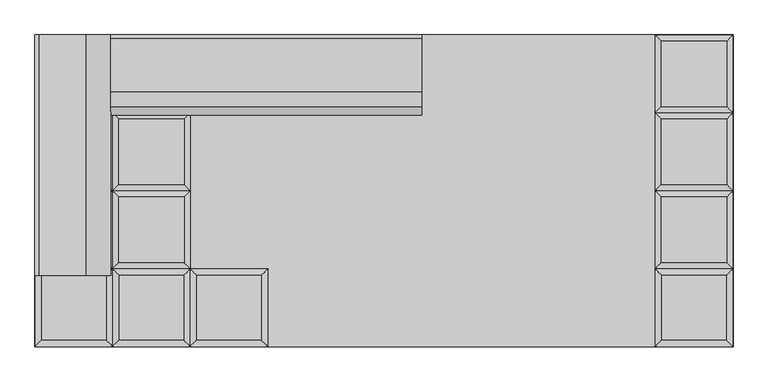
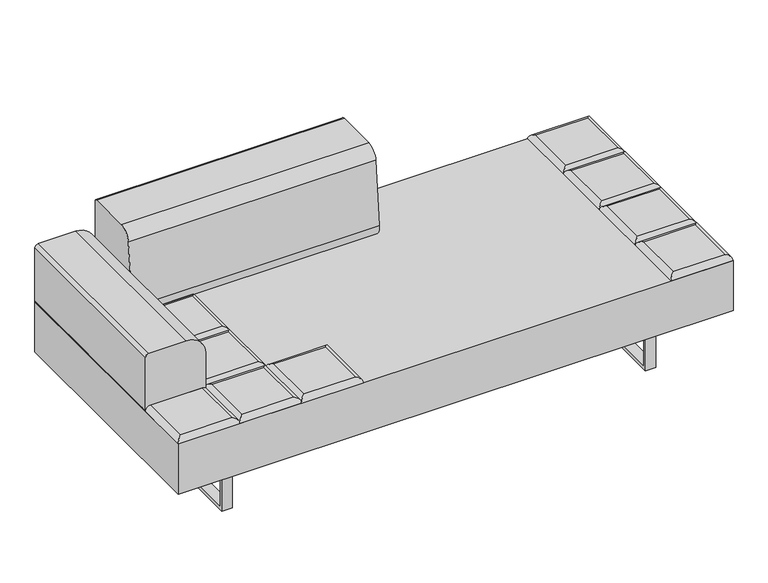
"""IFC4 building model written with IfcOpenShell, lengths in millimetres: furniture geometry."""

from ifc_helpers import new_model, si_unit, point, frame, frame_2d, origin, place, context, project, spatial, polyline, circle_curve, ellipse_curve, trimmed, segment, composite_curve, outline, extrude, source, transform, mapped, element, save
from ifc_brep_helpers import plane_surface, cylinder_surface, advanced_brep


def furniture_cdabe000(model_context):
    return source(origin(), model_context, "Body", "SolidModel", [
        advanced_brep(
        [(-330.2, -222.25, 393.7), (-348.1605122, -240.2105122, 411.6605122), (-348.1605122, -426.5394878, 411.6605122), (-330.2, -444.5, 393.7), (-534.4894878, -426.5394878, 411.6605122), (-552.45, -444.5, 393.7), (-534.4894878, -240.2105122, 411.6605122), (-552.45, -222.25, 393.7)],
        [
            (0, 1, ellipse_curve(frame((-348.1605122, -240.2105122, 393.7), z_axis=(0.7071067811865475, -0.7071067811865475, 0.0), x_axis=(0.7071067811865474, 0.7071067811865476, 0.0)), 25.4, 17.9605122)),
            (1, 2),
            (2, 3, ellipse_curve(frame((-348.1605122, -426.5394878, 393.7), z_axis=(0.7071067811865475, 0.7071067811865475, 0.0), x_axis=(-0.7071067811865474, 0.7071067811865476, 0.0)), 25.4, 17.9605122)),
            (3, 0),
            (2, 4),
            (4, 5, ellipse_curve(frame((-534.4894878, -426.5394878, 393.7), z_axis=(0.7071067811865475, -0.7071067811865475, 0.0), x_axis=(0.7071067811865476, 0.7071067811865474, 0.0)), 25.4, 17.9605122)),
            (5, 3),
            (4, 6),
            (6, 7, ellipse_curve(frame((-534.4894878, -240.2105122, 393.7), z_axis=(-0.7071067811865475, -0.7071067811865475, 0.0), x_axis=(0.7071067811865474, -0.7071067811865476, 0.0)), 25.4, 17.9605122)),
            (7, 5),
            (0, 7),
            (6, 1),
        ],
        [
            cylinder_surface(frame((-348.1605122, -222.25, 393.7), z_axis=(0.0, 1.0, 0.0), x_axis=(1.0, 0.0, 0.0)), 17.9605122),
            cylinder_surface(frame((-330.2, -426.5394878, 393.7), z_axis=(1.0, 0.0, 0.0), x_axis=(0.0, -1.0, 0.0)), 17.9605122),
            cylinder_surface(frame((-534.4894878, -444.5, 393.7), z_axis=(0.0, -1.0, 0.0), x_axis=(-1.0, 0.0, 0.0)), 17.9605122),
            cylinder_surface(frame((-552.45, -240.2105122, 393.7), z_axis=(-1.0, 0.0, 0.0), x_axis=(0.0, 1.0, 0.0)), 17.9605122),
            plane_surface(frame((-552.45, -222.25, 393.7), z_axis=(0.0, 0.0, -1.0), x_axis=(1.0, 0.0, 0.0))),
            plane_surface(frame((-534.4894878, -240.2105122, 411.6605122), z_axis=(0.0, 0.0, 1.0), x_axis=(-1.0, 0.0, 0.0))),
        ],
        [
            (0, [[1, 2, 3, 4]]),
            (1, [[-3, 5, 6, 7]]),
            (2, [[-6, 8, 9, 10]]),
            (3, [[-1, 11, -9, 12]]),
            (4, [[-4, -7, -10, -11]]),
            (5, [[-2, -12, -8, -5]]),
        ],
    ),
        advanced_brep(
        [(-568.8230122, -204.2894878, 411.6605122), (-568.8230122, -17.9605122, 411.6605122), (-755.1519878, -17.9605122, 411.6605122), (-755.1519878, -204.2894878, 411.6605122), (-550.8625, 0.0, 393.7), (-550.8625, -222.25, 393.7), (-773.1125, -222.25, 393.7), (-773.1125, 0.0, 393.7)],
        [
            (0, 1),
            (1, 2),
            (2, 3),
            (3, 0),
            (4, 5),
            (5, 6),
            (6, 7),
            (7, 4),
            (4, 1, ellipse_curve(frame((-568.8230122, -17.9605122, 393.7), z_axis=(0.7071067811865475, -0.7071067811865475, 0.0), x_axis=(0.7071067811865474, 0.7071067811865476, 0.0)), 25.4, 17.9605122)),
            (0, 5, ellipse_curve(frame((-568.8230122, -204.2894878, 393.7), z_axis=(0.7071067811865475, 0.7071067811865475, 0.0), x_axis=(-0.7071067811865474, 0.7071067811865476, 0.0)), 25.4, 17.9605122)),
            (3, 6, ellipse_curve(frame((-755.1519878, -204.2894878, 393.7), z_axis=(0.7071067811865475, -0.7071067811865475, 0.0), x_axis=(0.7071067811865476, 0.7071067811865474, 0.0)), 25.4, 17.9605122)),
            (2, 7, ellipse_curve(frame((-755.1519878, -17.9605122, 393.7), z_axis=(-0.7071067811865475, -0.7071067811865475, 0.0), x_axis=(0.7071067811865474, -0.7071067811865476, 0.0)), 25.4, 17.9605122)),
        ],
        [
            plane_surface(frame((-755.1519878, -17.9605122, 411.6605122), z_axis=(0.0, 0.0, 1.0), x_axis=(-1.0, 0.0, 0.0))),
            plane_surface(frame((-755.1519878, -17.9605122, 393.7), z_axis=(0.0, 0.0, -1.0), x_axis=(1.0, 0.0, 0.0))),
            cylinder_surface(frame((-568.8230122, 0.0, 393.7), z_axis=(0.0, 1.0, 0.0), x_axis=(1.0, 0.0, 0.0)), 17.9605122),
            cylinder_surface(frame((-550.8625, -204.2894878, 393.7), z_axis=(1.0, 0.0, 0.0), x_axis=(0.0, -1.0, 0.0)), 17.9605122),
            cylinder_surface(frame((-755.1519878, -222.25, 393.7), z_axis=(0.0, -1.0, 0.0), x_axis=(-1.0, 0.0, 0.0)), 17.9605122),
            cylinder_surface(frame((-773.1125, -17.9605122, 393.7), z_axis=(-1.0, 0.0, 0.0), x_axis=(0.0, 1.0, 0.0)), 17.9605122),
        ],
        [
            (0, [[1, 2, 3, 4]]),
            (1, [[5, 6, 7, 8]]),
            (2, [[9, -1, 10, -5]]),
            (3, [[-10, -4, 11, -6]]),
            (4, [[-11, -3, 12, -7]]),
            (5, [[-9, -8, -12, -2]]),
        ],
    ),
        advanced_brep(
        [(-568.8230122, 17.9605122, 411.6605122), (-568.8230122, 204.2894878, 411.6605122), (-755.1519878, 204.2894878, 411.6605122), (-755.1519878, 17.9605122, 411.6605122), (-550.8625, 222.25, 393.7), (-550.8625, 0.0, 393.7), (-773.1125, 0.0, 393.7), (-773.1125, 222.25, 393.7)],
        [
            (0, 1),
            (1, 2),
            (2, 3),
            (3, 0),
            (4, 5),
            (5, 6),
            (6, 7),
            (7, 4),
            (4, 1, ellipse_curve(frame((-568.8230122, 204.2894878, 393.7), z_axis=(0.7071067811865475, -0.7071067811865475, 0.0), x_axis=(0.7071067811865474, 0.7071067811865476, 0.0)), 25.4, 17.9605122)),
            (0, 5, ellipse_curve(frame((-568.8230122, 17.9605122, 393.7), z_axis=(0.7071067811865475, 0.7071067811865475, 0.0), x_axis=(-0.7071067811865474, 0.7071067811865476, 0.0)), 25.4, 17.9605122)),
            (3, 6, ellipse_curve(frame((-755.1519878, 17.9605122, 393.7), z_axis=(0.7071067811865475, -0.7071067811865475, 0.0), x_axis=(0.7071067811865476, 0.7071067811865474, 0.0)), 25.4, 17.9605122)),
            (2, 7, ellipse_curve(frame((-755.1519878, 204.2894878, 393.7), z_axis=(-0.7071067811865475, -0.7071067811865475, 0.0), x_axis=(0.7071067811865474, -0.7071067811865476, 0.0)), 25.4, 17.9605122)),
        ],
        [
            plane_surface(frame((-755.1519878, 204.2894878, 411.6605122), z_axis=(0.0, 0.0, 1.0), x_axis=(-1.0, 0.0, 0.0))),
            plane_surface(frame((-755.1519878, 204.2894878, 393.7), z_axis=(0.0, 0.0, -1.0), x_axis=(1.0, 0.0, 0.0))),
            cylinder_surface(frame((-568.8230122, 222.25, 393.7), z_axis=(0.0, 1.0, 0.0), x_axis=(1.0, 0.0, 0.0)), 17.9605122),
            cylinder_surface(frame((-550.8625, 17.9605122, 393.7), z_axis=(1.0, 0.0, 0.0), x_axis=(0.0, -1.0, 0.0)), 17.9605122),
            cylinder_surface(frame((-755.1519878, 0.0, 393.7), z_axis=(0.0, -1.0, 0.0), x_axis=(-1.0, 0.0, 0.0)), 17.9605122),
            cylinder_surface(frame((-773.1125, 204.2894878, 393.7), z_axis=(-1.0, 0.0, 0.0), x_axis=(0.0, 1.0, 0.0)), 17.9605122),
        ],
        [
            (0, [[1, 2, 3, 4]]),
            (1, [[5, 6, 7, 8]]),
            (2, [[9, -1, 10, -5]]),
            (3, [[-10, -4, 11, -6]]),
            (4, [[-11, -3, 12, -7]]),
            (5, [[-9, -8, -12, -2]]),
        ],
    ),
        advanced_brep(
        [(-568.8230122, 240.2105122, 411.6605122), (-568.8230122, 426.5394878, 411.6605122), (-755.1519878, 426.5394878, 411.6605122), (-755.1519878, 240.2105122, 411.6605122), (-550.8625, 444.5, 393.7), (-550.8625, 222.25, 393.7), (-773.1125, 222.25, 393.7), (-773.1125, 444.5, 393.7)],
        [
            (0, 1),
            (1, 2),
            (2, 3),
            (3, 0),
            (4, 5),
            (5, 6),
            (6, 7),
            (7, 4),
            (4, 1, ellipse_curve(frame((-568.8230122, 426.5394878, 393.7), z_axis=(0.7071067811865475, -0.7071067811865475, 0.0), x_axis=(0.7071067811865474, 0.7071067811865476, 0.0)), 25.4, 17.9605122)),
            (0, 5, ellipse_curve(frame((-568.8230122, 240.2105122, 393.7), z_axis=(0.7071067811865475, 0.7071067811865475, 0.0), x_axis=(-0.7071067811865474, 0.7071067811865476, 0.0)), 25.4, 17.9605122)),
            (3, 6, ellipse_curve(frame((-755.1519878, 240.2105122, 393.7), z_axis=(0.7071067811865475, -0.7071067811865475, 0.0), x_axis=(0.7071067811865476, 0.7071067811865474, 0.0)), 25.4, 17.9605122)),
            (2, 7, ellipse_curve(frame((-755.1519878, 426.5394878, 393.7), z_axis=(-0.7071067811865475, -0.7071067811865475, 0.0), x_axis=(0.7071067811865474, -0.7071067811865476, 0.0)), 25.4, 17.9605122)),
        ],
        [
            plane_surface(frame((-755.1519878, 426.5394878, 411.6605122), z_axis=(0.0, 0.0, 1.0), x_axis=(-1.0, 0.0, 0.0))),
            plane_surface(frame((-755.1519878, 426.5394878, 393.7), z_axis=(0.0, 0.0, -1.0), x_axis=(1.0, 0.0, 0.0))),
            cylinder_surface(frame((-568.8230122, 444.5, 393.7), z_axis=(0.0, 1.0, 0.0), x_axis=(1.0, 0.0, 0.0)), 17.9605122),
            cylinder_surface(frame((-550.8625, 240.2105122, 393.7), z_axis=(1.0, 0.0, 0.0), x_axis=(0.0, -1.0, 0.0)), 17.9605122),
            cylinder_surface(frame((-755.1519878, 222.25, 393.7), z_axis=(0.0, -1.0, 0.0), x_axis=(-1.0, 0.0, 0.0)), 17.9605122),
            cylinder_surface(frame((-773.1125, 426.5394878, 393.7), z_axis=(-1.0, 0.0, 0.0), x_axis=(0.0, 1.0, 0.0)), 17.9605122),
        ],
        [
            (0, [[1, 2, 3, 4]]),
            (1, [[5, 6, 7, 8]]),
            (2, [[9, -1, 10, -5]]),
            (3, [[-10, -4, 11, -6]]),
            (4, [[-11, -3, 12, -7]]),
            (5, [[-9, -8, -12, -2]]),
        ],
    ),
        advanced_brep(
        [(-550.8625, -222.25, 393.7), (-568.8230122, -240.2105122, 411.6605122), (-568.8230122, -426.5394878, 411.6605122), (-550.8625, -444.5, 393.7), (-755.1519878, -426.5394878, 411.6605122), (-773.1125, -444.5, 393.7), (-755.1519878, -240.2105122, 411.6605122), (-773.1125, -222.25, 393.7)],
        [
            (0, 1, ellipse_curve(frame((-568.8230122, -240.2105122, 393.7), z_axis=(0.7071067811865475, -0.7071067811865475, 0.0), x_axis=(0.7071067811865474, 0.7071067811865476, 0.0)), 25.4, 17.9605122)),
            (1, 2),
            (2, 3, ellipse_curve(frame((-568.8230122, -426.5394878, 393.7), z_axis=(0.7071067811865475, 0.7071067811865475, 0.0), x_axis=(-0.7071067811865474, 0.7071067811865476, 0.0)), 25.4, 17.9605122)),
            (3, 0),
            (2, 4),
            (4, 5, ellipse_curve(frame((-755.1519878, -426.5394878, 393.7), z_axis=(0.7071067811865475, -0.7071067811865475, 0.0), x_axis=(0.7071067811865476, 0.7071067811865474, 0.0)), 25.4, 17.9605122)),
            (5, 3),
            (4, 6),
            (6, 7, ellipse_curve(frame((-755.1519878, -240.2105122, 393.7), z_axis=(-0.7071067811865475, -0.7071067811865475, 0.0), x_axis=(0.7071067811865474, -0.7071067811865476, 0.0)), 25.4, 17.9605122)),
            (7, 5),
            (0, 7),
            (6, 1),
        ],
        [
            cylinder_surface(frame((-568.8230122, -222.25, 393.7), z_axis=(0.0, 1.0, 0.0), x_axis=(1.0, 0.0, 0.0)), 17.9605122),
            cylinder_surface(frame((-550.8625, -426.5394878, 393.7), z_axis=(1.0, 0.0, 0.0), x_axis=(0.0, -1.0, 0.0)), 17.9605122),
            cylinder_surface(frame((-755.1519878, -444.5, 393.7), z_axis=(0.0, -1.0, 0.0), x_axis=(-1.0, 0.0, 0.0)), 17.9605122),
            cylinder_surface(frame((-773.1125, -240.2105122, 393.7), z_axis=(-1.0, 0.0, 0.0), x_axis=(0.0, 1.0, 0.0)), 17.9605122),
            plane_surface(frame((-773.1125, -222.25, 393.7), z_axis=(0.0, 0.0, -1.0), x_axis=(1.0, 0.0, 0.0))),
            plane_surface(frame((-755.1519878, -240.2105122, 411.6605122), z_axis=(0.0, 0.0, 1.0), x_axis=(-1.0, 0.0, 0.0))),
        ],
        [
            (0, [[1, 2, 3, 4]]),
            (1, [[-3, 5, 6, 7]]),
            (2, [[-6, 8, 9, 10]]),
            (3, [[-1, 11, -9, 12]]),
            (4, [[-4, -7, -10, -11]]),
            (5, [[-2, -12, -8, -5]]),
        ],
    ),
        advanced_brep(
        [(975.8144878, -204.2894878, 411.6605122), (975.8144878, -17.9605122, 411.6605122), (789.4855122, -17.9605122, 411.6605122), (789.4855122, -204.2894878, 411.6605122), (993.775, 0.0, 393.7), (993.775, -222.25, 393.7), (771.525, -222.25, 393.7), (771.525, 0.0, 393.7)],
        [
            (0, 1),
            (1, 2),
            (2, 3),
            (3, 0),
            (4, 5),
            (5, 6),
            (6, 7),
            (7, 4),
            (4, 1, ellipse_curve(frame((975.8144878, -17.9605122, 393.7), z_axis=(0.7071067811865475, -0.7071067811865475, 0.0), x_axis=(0.7071067811865474, 0.7071067811865476, 0.0)), 25.4, 17.9605122)),
            (0, 5, ellipse_curve(frame((975.8144878, -204.2894878, 393.7), z_axis=(0.7071067811865475, 0.7071067811865475, 0.0), x_axis=(-0.7071067811865474, 0.7071067811865476, 0.0)), 25.4, 17.9605122)),
            (3, 6, ellipse_curve(frame((789.4855122, -204.2894878, 393.7), z_axis=(0.7071067811865475, -0.7071067811865475, 0.0), x_axis=(0.7071067811865476, 0.7071067811865474, 0.0)), 25.4, 17.9605122)),
            (2, 7, ellipse_curve(frame((789.4855122, -17.9605122, 393.7), z_axis=(-0.7071067811865475, -0.7071067811865475, 0.0), x_axis=(0.7071067811865474, -0.7071067811865476, 0.0)), 25.4, 17.9605122)),
        ],
        [
            plane_surface(frame((789.4855122, -17.9605122, 411.6605122), z_axis=(0.0, 0.0, 1.0), x_axis=(-1.0, 0.0, 0.0))),
            plane_surface(frame((789.4855122, -17.9605122, 393.7), z_axis=(0.0, 0.0, -1.0), x_axis=(1.0, 0.0, 0.0))),
            cylinder_surface(frame((975.8144878, 0.0, 393.7), z_axis=(0.0, 1.0, 0.0), x_axis=(1.0, 0.0, 0.0)), 17.9605122),
            cylinder_surface(frame((993.775, -204.2894878, 393.7), z_axis=(1.0, 0.0, 0.0), x_axis=(0.0, -1.0, 0.0)), 17.9605122),
            cylinder_surface(frame((789.4855122, -222.25, 393.7), z_axis=(0.0, -1.0, 0.0), x_axis=(-1.0, 0.0, 0.0)), 17.9605122),
            cylinder_surface(frame((771.525, -17.9605122, 393.7), z_axis=(-1.0, 0.0, 0.0), x_axis=(0.0, 1.0, 0.0)), 17.9605122),
        ],
        [
            (0, [[1, 2, 3, 4]]),
            (1, [[5, 6, 7, 8]]),
            (2, [[9, -1, 10, -5]]),
            (3, [[-10, -4, 11, -6]]),
            (4, [[-11, -3, 12, -7]]),
            (5, [[-9, -8, -12, -2]]),
        ],
    ),
        advanced_brep(
        [(975.8144878, 17.9605122, 411.6605122), (975.8144878, 204.2894878, 411.6605122), (789.4855122, 204.2894878, 411.6605122), (789.4855122, 17.9605122, 411.6605122), (993.775, 222.25, 393.7), (993.775, 0.0, 393.7), (771.525, 0.0, 393.7), (771.525, 222.25, 393.7)],
        [
            (0, 1),
            (1, 2),
            (2, 3),
            (3, 0),
            (4, 5),
            (5, 6),
            (6, 7),
            (7, 4),
            (4, 1, ellipse_curve(frame((975.8144878, 204.2894878, 393.7), z_axis=(0.7071067811865475, -0.7071067811865475, 0.0), x_axis=(0.7071067811865474, 0.7071067811865476, 0.0)), 25.4, 17.9605122)),
            (0, 5, ellipse_curve(frame((975.8144878, 17.9605122, 393.7), z_axis=(0.7071067811865475, 0.7071067811865475, 0.0), x_axis=(-0.7071067811865474, 0.7071067811865476, 0.0)), 25.4, 17.9605122)),
            (3, 6, ellipse_curve(frame((789.4855122, 17.9605122, 393.7), z_axis=(0.7071067811865475, -0.7071067811865475, 0.0), x_axis=(0.7071067811865476, 0.7071067811865474, 0.0)), 25.4, 17.9605122)),
            (2, 7, ellipse_curve(frame((789.4855122, 204.2894878, 393.7), z_axis=(-0.7071067811865475, -0.7071067811865475, 0.0), x_axis=(0.7071067811865474, -0.7071067811865476, 0.0)), 25.4, 17.9605122)),
        ],
        [
            plane_surface(frame((789.4855122, 204.2894878, 411.6605122), z_axis=(0.0, 0.0, 1.0), x_axis=(-1.0, 0.0, 0.0))),
            plane_surface(frame((789.4855122, 204.2894878, 393.7), z_axis=(0.0, 0.0, -1.0), x_axis=(1.0, 0.0, 0.0))),
            cylinder_surface(frame((975.8144878, 222.25, 393.7), z_axis=(0.0, 1.0, 0.0), x_axis=(1.0, 0.0, 0.0)), 17.9605122),
            cylinder_surface(frame((993.775, 17.9605122, 393.7), z_axis=(1.0, 0.0, 0.0), x_axis=(0.0, -1.0, 0.0)), 17.9605122),
            cylinder_surface(frame((789.4855122, 0.0, 393.7), z_axis=(0.0, -1.0, 0.0), x_axis=(-1.0, 0.0, 0.0)), 17.9605122),
            cylinder_surface(frame((771.525, 204.2894878, 393.7), z_axis=(-1.0, 0.0, 0.0), x_axis=(0.0, 1.0, 0.0)), 17.9605122),
        ],
        [
            (0, [[1, 2, 3, 4]]),
            (1, [[5, 6, 7, 8]]),
            (2, [[9, -1, 10, -5]]),
            (3, [[-10, -4, 11, -6]]),
            (4, [[-11, -3, 12, -7]]),
            (5, [[-9, -8, -12, -2]]),
        ],
    ),
        advanced_brep(
        [(975.8144878, 240.2105122, 411.6605122), (975.8144878, 426.5394878, 411.6605122), (789.4855122, 426.5394878, 411.6605122), (789.4855122, 240.2105122, 411.6605122), (993.775, 444.5, 393.7), (993.775, 222.25, 393.7), (771.525, 222.25, 393.7), (771.525, 444.5, 393.7)],
        [
            (0, 1),
            (1, 2),
            (2, 3),
            (3, 0),
            (4, 5),
            (5, 6),
            (6, 7),
            (7, 4),
            (4, 1, ellipse_curve(frame((975.8144878, 426.5394878, 393.7), z_axis=(0.7071067811865475, -0.7071067811865475, 0.0), x_axis=(0.7071067811865474, 0.7071067811865476, 0.0)), 25.4, 17.9605122)),
            (0, 5, ellipse_curve(frame((975.8144878, 240.2105122, 393.7), z_axis=(0.7071067811865475, 0.7071067811865475, 0.0), x_axis=(-0.7071067811865474, 0.7071067811865476, 0.0)), 25.4, 17.9605122)),
            (3, 6, ellipse_curve(frame((789.4855122, 240.2105122, 393.7), z_axis=(0.7071067811865475, -0.7071067811865475, 0.0), x_axis=(0.7071067811865476, 0.7071067811865474, 0.0)), 25.4, 17.9605122)),
            (2, 7, ellipse_curve(frame((789.4855122, 426.5394878, 393.7), z_axis=(-0.7071067811865475, -0.7071067811865475, 0.0), x_axis=(0.7071067811865474, -0.7071067811865476, 0.0)), 25.4, 17.9605122)),
        ],
        [
            plane_surface(frame((789.4855122, 426.5394878, 411.6605122), z_axis=(0.0, 0.0, 1.0), x_axis=(-1.0, 0.0, 0.0))),
            plane_surface(frame((789.4855122, 426.5394878, 393.7), z_axis=(0.0, 0.0, -1.0), x_axis=(1.0, 0.0, 0.0))),
            cylinder_surface(frame((975.8144878, 444.5, 393.7), z_axis=(0.0, 1.0, 0.0), x_axis=(1.0, 0.0, 0.0)), 17.9605122),
            cylinder_surface(frame((993.775, 240.2105122, 393.7), z_axis=(1.0, 0.0, 0.0), x_axis=(0.0, -1.0, 0.0)), 17.9605122),
            cylinder_surface(frame((789.4855122, 222.25, 393.7), z_axis=(0.0, -1.0, 0.0), x_axis=(-1.0, 0.0, 0.0)), 17.9605122),
            cylinder_surface(frame((771.525, 426.5394878, 393.7), z_axis=(-1.0, 0.0, 0.0), x_axis=(0.0, 1.0, 0.0)), 17.9605122),
        ],
        [
            (0, [[1, 2, 3, 4]]),
            (1, [[5, 6, 7, 8]]),
            (2, [[9, -1, 10, -5]]),
            (3, [[-10, -4, 11, -6]]),
            (4, [[-11, -3, 12, -7]]),
            (5, [[-9, -8, -12, -2]]),
        ],
    ),
        advanced_brep(
        [(993.775, -222.25, 393.7), (975.8144878, -240.2105122, 411.6605122), (975.8144878, -426.5394878, 411.6605122), (993.775, -444.5, 393.7), (789.4855122, -426.5394878, 411.6605122), (771.525, -444.5, 393.7), (789.4855122, -240.2105122, 411.6605122), (771.525, -222.25, 393.7)],
        [
            (0, 1, ellipse_curve(frame((975.8144878, -240.2105122, 393.7), z_axis=(0.7071067811865475, -0.7071067811865475, 0.0), x_axis=(0.7071067811865474, 0.7071067811865476, 0.0)), 25.4, 17.9605122)),
            (1, 2),
            (2, 3, ellipse_curve(frame((975.8144878, -426.5394878, 393.7), z_axis=(0.7071067811865475, 0.7071067811865475, 0.0), x_axis=(-0.7071067811865474, 0.7071067811865476, 0.0)), 25.4, 17.9605122)),
            (3, 0),
            (2, 4),
            (4, 5, ellipse_curve(frame((789.4855122, -426.5394878, 393.7), z_axis=(0.7071067811865475, -0.7071067811865475, 0.0), x_axis=(0.7071067811865476, 0.7071067811865474, 0.0)), 25.4, 17.9605122)),
            (5, 3),
            (4, 6),
            (6, 7, ellipse_curve(frame((789.4855122, -240.2105122, 393.7), z_axis=(-0.7071067811865475, -0.7071067811865475, 0.0), x_axis=(0.7071067811865474, -0.7071067811865476, 0.0)), 25.4, 17.9605122)),
            (7, 5),
            (0, 7),
            (6, 1),
        ],
        [
            cylinder_surface(frame((975.8144878, -222.25, 393.7), z_axis=(0.0, 1.0, 0.0), x_axis=(1.0, 0.0, 0.0)), 17.9605122),
            cylinder_surface(frame((993.775, -426.5394878, 393.7), z_axis=(1.0, 0.0, 0.0), x_axis=(0.0, -1.0, 0.0)), 17.9605122),
            cylinder_surface(frame((789.4855122, -444.5, 393.7), z_axis=(0.0, -1.0, 0.0), x_axis=(-1.0, 0.0, 0.0)), 17.9605122),
            cylinder_surface(frame((771.525, -240.2105122, 393.7), z_axis=(-1.0, 0.0, 0.0), x_axis=(0.0, 1.0, 0.0)), 17.9605122),
            plane_surface(frame((771.525, -222.25, 393.7), z_axis=(0.0, 0.0, -1.0), x_axis=(1.0, 0.0, 0.0))),
            plane_surface(frame((789.4855122, -240.2105122, 411.6605122), z_axis=(0.0, 0.0, 1.0), x_axis=(-1.0, 0.0, 0.0))),
        ],
        [
            (0, [[1, 2, 3, 4]]),
            (1, [[-3, 5, 6, 7]]),
            (2, [[-6, 8, 9, 10]]),
            (3, [[-1, 11, -9, 12]]),
            (4, [[-4, -7, -10, -11]]),
            (5, [[-2, -12, -8, -5]]),
        ],
    ),
        advanced_brep(
        [(-789.4855122, -204.2894878, 411.6605122), (-789.4855122, -17.9605122, 411.6605122), (-975.8144878, -17.9605122, 411.6605122), (-975.8144878, -204.2894878, 411.6605122), (-771.525, 0.0, 393.7), (-771.525, -222.25, 393.7), (-993.775, -222.25, 393.7), (-993.775, 0.0, 393.7)],
        [
            (0, 1),
            (1, 2),
            (2, 3),
            (3, 0),
            (4, 5),
            (5, 6),
            (6, 7),
            (7, 4),
            (4, 1, ellipse_curve(frame((-789.4855122, -17.9605122, 393.7), z_axis=(0.7071067811865475, -0.7071067811865475, 0.0), x_axis=(0.7071067811865474, 0.7071067811865476, 0.0)), 25.4, 17.9605122)),
            (0, 5, ellipse_curve(frame((-789.4855122, -204.2894878, 393.7), z_axis=(0.7071067811865475, 0.7071067811865475, 0.0), x_axis=(-0.7071067811865474, 0.7071067811865476, 0.0)), 25.4, 17.9605122)),
            (3, 6, ellipse_curve(frame((-975.8144878, -204.2894878, 393.7), z_axis=(0.7071067811865475, -0.7071067811865475, 0.0), x_axis=(0.7071067811865476, 0.7071067811865474, 0.0)), 25.4, 17.9605122)),
            (2, 7, ellipse_curve(frame((-975.8144878, -17.9605122, 393.7), z_axis=(-0.7071067811865475, -0.7071067811865475, 0.0), x_axis=(0.7071067811865474, -0.7071067811865476, 0.0)), 25.4, 17.9605122)),
        ],
        [
            plane_surface(frame((-975.8144878, -17.9605122, 411.6605122), z_axis=(0.0, 0.0, 1.0), x_axis=(-1.0, 0.0, 0.0))),
            plane_surface(frame((-975.8144878, -17.9605122, 393.7), z_axis=(0.0, 0.0, -1.0), x_axis=(1.0, 0.0, 0.0))),
            cylinder_surface(frame((-789.4855122, 0.0, 393.7), z_axis=(0.0, 1.0, 0.0), x_axis=(1.0, 0.0, 0.0)), 17.9605122),
            cylinder_surface(frame((-771.525, -204.2894878, 393.7), z_axis=(1.0, 0.0, 0.0), x_axis=(0.0, -1.0, 0.0)), 17.9605122),
            cylinder_surface(frame((-975.8144878, -222.25, 393.7), z_axis=(0.0, -1.0, 0.0), x_axis=(-1.0, 0.0, 0.0)), 17.9605122),
            cylinder_surface(frame((-993.775, -17.9605122, 393.7), z_axis=(-1.0, 0.0, 0.0), x_axis=(0.0, 1.0, 0.0)), 17.9605122),
        ],
        [
            (0, [[1, 2, 3, 4]]),
            (1, [[5, 6, 7, 8]]),
            (2, [[9, -1, 10, -5]]),
            (3, [[-10, -4, 11, -6]]),
            (4, [[-11, -3, 12, -7]]),
            (5, [[-9, -8, -12, -2]]),
        ],
    ),
        advanced_brep(
        [(-789.4855122, 17.9605122, 411.6605122), (-789.4855122, 204.2894878, 411.6605122), (-975.8144878, 204.2894878, 411.6605122), (-975.8144878, 17.9605122, 411.6605122), (-771.525, 222.25, 393.7), (-771.525, 0.0, 393.7), (-993.775, 0.0, 393.7), (-993.775, 222.25, 393.7)],
        [
            (0, 1),
            (1, 2),
            (2, 3),
            (3, 0),
            (4, 5),
            (5, 6),
            (6, 7),
            (7, 4),
            (4, 1, ellipse_curve(frame((-789.4855122, 204.2894878, 393.7), z_axis=(0.7071067811865475, -0.7071067811865475, 0.0), x_axis=(0.7071067811865474, 0.7071067811865476, 0.0)), 25.4, 17.9605122)),
            (0, 5, ellipse_curve(frame((-789.4855122, 17.9605122, 393.7), z_axis=(0.7071067811865475, 0.7071067811865475, 0.0), x_axis=(-0.7071067811865474, 0.7071067811865476, 0.0)), 25.4, 17.9605122)),
            (3, 6, ellipse_curve(frame((-975.8144878, 17.9605122, 393.7), z_axis=(0.7071067811865475, -0.7071067811865475, 0.0), x_axis=(0.7071067811865476, 0.7071067811865474, 0.0)), 25.4, 17.9605122)),
            (2, 7, ellipse_curve(frame((-975.8144878, 204.2894878, 393.7), z_axis=(-0.7071067811865475, -0.7071067811865475, 0.0), x_axis=(0.7071067811865474, -0.7071067811865476, 0.0)), 25.4, 17.9605122)),
        ],
        [
            plane_surface(frame((-975.8144878, 204.2894878, 411.6605122), z_axis=(0.0, 0.0, 1.0), x_axis=(-1.0, 0.0, 0.0))),
            plane_surface(frame((-975.8144878, 204.2894878, 393.7), z_axis=(0.0, 0.0, -1.0), x_axis=(1.0, 0.0, 0.0))),
            cylinder_surface(frame((-789.4855122, 222.25, 393.7), z_axis=(0.0, 1.0, 0.0), x_axis=(1.0, 0.0, 0.0)), 17.9605122),
            cylinder_surface(frame((-771.525, 17.9605122, 393.7), z_axis=(1.0, 0.0, 0.0), x_axis=(0.0, -1.0, 0.0)), 17.9605122),
            cylinder_surface(frame((-975.8144878, 0.0, 393.7), z_axis=(0.0, -1.0, 0.0), x_axis=(-1.0, 0.0, 0.0)), 17.9605122),
            cylinder_surface(frame((-993.775, 204.2894878, 393.7), z_axis=(-1.0, 0.0, 0.0), x_axis=(0.0, 1.0, 0.0)), 17.9605122),
        ],
        [
            (0, [[1, 2, 3, 4]]),
            (1, [[5, 6, 7, 8]]),
            (2, [[9, -1, 10, -5]]),
            (3, [[-10, -4, 11, -6]]),
            (4, [[-11, -3, 12, -7]]),
            (5, [[-9, -8, -12, -2]]),
        ],
    ),
        advanced_brep(
        [(-789.4855122, 240.2105122, 411.6605122), (-789.4855122, 426.5394878, 411.6605122), (-975.8144878, 426.5394878, 411.6605122), (-975.8144878, 240.2105122, 411.6605122), (-771.525, 444.5, 393.7), (-771.525, 222.25, 393.7), (-993.775, 222.25, 393.7), (-993.775, 444.5, 393.7)],
        [
            (0, 1),
            (1, 2),
            (2, 3),
            (3, 0),
            (4, 5),
            (5, 6),
            (6, 7),
            (7, 4),
            (4, 1, ellipse_curve(frame((-789.4855122, 426.5394878, 393.7), z_axis=(0.7071067811865475, -0.7071067811865475, 0.0), x_axis=(0.7071067811865474, 0.7071067811865476, 0.0)), 25.4, 17.9605122)),
            (0, 5, ellipse_curve(frame((-789.4855122, 240.2105122, 393.7), z_axis=(0.7071067811865475, 0.7071067811865475, 0.0), x_axis=(-0.7071067811865474, 0.7071067811865476, 0.0)), 25.4, 17.9605122)),
            (3, 6, ellipse_curve(frame((-975.8144878, 240.2105122, 393.7), z_axis=(0.7071067811865475, -0.7071067811865475, 0.0), x_axis=(0.7071067811865476, 0.7071067811865474, 0.0)), 25.4, 17.9605122)),
            (2, 7, ellipse_curve(frame((-975.8144878, 426.5394878, 393.7), z_axis=(-0.7071067811865475, -0.7071067811865475, 0.0), x_axis=(0.7071067811865474, -0.7071067811865476, 0.0)), 25.4, 17.9605122)),
        ],
        [
            plane_surface(frame((-975.8144878, 426.5394878, 411.6605122), z_axis=(0.0, 0.0, 1.0), x_axis=(-1.0, 0.0, 0.0))),
            plane_surface(frame((-975.8144878, 426.5394878, 393.7), z_axis=(0.0, 0.0, -1.0), x_axis=(1.0, 0.0, 0.0))),
            cylinder_surface(frame((-789.4855122, 444.5, 393.7), z_axis=(0.0, 1.0, 0.0), x_axis=(1.0, 0.0, 0.0)), 17.9605122),
            cylinder_surface(frame((-771.525, 240.2105122, 393.7), z_axis=(1.0, 0.0, 0.0), x_axis=(0.0, -1.0, 0.0)), 17.9605122),
            cylinder_surface(frame((-975.8144878, 222.25, 393.7), z_axis=(0.0, -1.0, 0.0), x_axis=(-1.0, 0.0, 0.0)), 17.9605122),
            cylinder_surface(frame((-993.775, 426.5394878, 393.7), z_axis=(-1.0, 0.0, 0.0), x_axis=(0.0, 1.0, 0.0)), 17.9605122),
        ],
        [
            (0, [[1, 2, 3, 4]]),
            (1, [[5, 6, 7, 8]]),
            (2, [[9, -1, 10, -5]]),
            (3, [[-10, -4, 11, -6]]),
            (4, [[-11, -3, 12, -7]]),
            (5, [[-9, -8, -12, -2]]),
        ],
    ),
        advanced_brep(
        [(-771.525, -222.25, 393.7), (-789.4855122, -240.2105122, 411.6605122), (-789.4855122, -426.5394878, 411.6605122), (-771.525, -444.5, 393.7), (-975.8144878, -426.5394878, 411.6605122), (-993.775, -444.5, 393.7), (-975.8144878, -240.2105122, 411.6605122), (-993.775, -222.25, 393.7)],
        [
            (0, 1, ellipse_curve(frame((-789.4855122, -240.2105122, 393.7), z_axis=(0.7071067811865475, -0.7071067811865475, 0.0), x_axis=(0.7071067811865474, 0.7071067811865476, 0.0)), 25.4, 17.9605122)),
            (1, 2),
            (2, 3, ellipse_curve(frame((-789.4855122, -426.5394878, 393.7), z_axis=(0.7071067811865475, 0.7071067811865475, 0.0), x_axis=(-0.7071067811865474, 0.7071067811865476, 0.0)), 25.4, 17.9605122)),
            (3, 0),
            (2, 4),
            (4, 5, ellipse_curve(frame((-975.8144878, -426.5394878, 393.7), z_axis=(0.7071067811865475, -0.7071067811865475, 0.0), x_axis=(0.7071067811865476, 0.7071067811865474, 0.0)), 25.4, 17.9605122)),
            (5, 3),
            (4, 6),
            (6, 7, ellipse_curve(frame((-975.8144878, -240.2105122, 393.7), z_axis=(-0.7071067811865475, -0.7071067811865475, 0.0), x_axis=(0.7071067811865474, -0.7071067811865476, 0.0)), 25.4, 17.9605122)),
            (7, 5),
            (0, 7),
            (6, 1),
        ],
        [
            cylinder_surface(frame((-789.4855122, -222.25, 393.7), z_axis=(0.0, 1.0, 0.0), x_axis=(1.0, 0.0, 0.0)), 17.9605122),
            cylinder_surface(frame((-771.525, -426.5394878, 393.7), z_axis=(1.0, 0.0, 0.0), x_axis=(0.0, -1.0, 0.0)), 17.9605122),
            cylinder_surface(frame((-975.8144878, -444.5, 393.7), z_axis=(0.0, -1.0, 0.0), x_axis=(-1.0, 0.0, 0.0)), 17.9605122),
            cylinder_surface(frame((-993.775, -240.2105122, 393.7), z_axis=(-1.0, 0.0, 0.0), x_axis=(0.0, 1.0, 0.0)), 17.9605122),
            plane_surface(frame((-993.775, -222.25, 393.7), z_axis=(0.0, 0.0, -1.0), x_axis=(1.0, 0.0, 0.0))),
            plane_surface(frame((-975.8144878, -240.2105122, 411.6605122), z_axis=(0.0, 0.0, 1.0), x_axis=(-1.0, 0.0, 0.0))),
        ],
        [
            (0, [[1, 2, 3, 4]]),
            (1, [[-3, 5, 6, 7]]),
            (2, [[-6, 8, 9, 10]]),
            (3, [[-1, 11, -9, 12]]),
            (4, [[-4, -7, -10, -11]]),
            (5, [[-2, -12, -8, -5]]),
        ],
    ),
        extrude(outline(polyline([(-339.4724839, 0.0), (-339.4724839, 203.2), (341.6588694, 203.2), (341.6588694, 0.0), (-339.4724839, 0.0)]), holes=[polyline([(-326.7724839, 190.5), (-326.7724839, 12.7), (328.9588694, 12.7), (328.9588694, 190.5), (-326.7724839, 190.5)])]), frame((-777.875, 0.0, 0.0), z_axis=(1.0, 0.0, 0.0), x_axis=(0.0, 1.0, 0.0)), (0.0, 0.0, 1.0), 38.0999535),
        extrude(outline(polyline([(-339.4724839, 203.2), (341.6588694, 203.2), (341.6588694, 0.0), (-339.4724839, 0.0), (-339.4724839, 203.2)]), holes=[polyline([(-326.7724839, 12.7), (328.9588694, 12.7), (328.9588694, 190.5), (-326.7724839, 190.5), (-326.7724839, 12.7)])]), frame((739.7750465, 0.0, 0.0), z_axis=(1.0, 0.0, 0.0), x_axis=(0.0, 1.0, 0.0)), (0.0, 0.0, 1.0), 38.0999535),
        extrude(outline(polyline([(993.775, 444.5), (993.775, -444.5), (-993.775, -444.5), (-993.775, 444.5), (993.775, 444.5)])), frame((0.0, 0.0, 203.2), z_axis=(0.0, 0.0, 1.0), x_axis=(1.0, 0.0, 0.0)), (0.0, 0.0, 1.0), 190.5),
        extrude(outline(composite_curve([segment(polyline([(444.5, 393.7), (232.6067514, 393.7)]), True, "CONTINUOUS"), segment(trimmed(circle_curve(frame_2d((263.4189927, 430.9463408)), 48.3392606), [point((232.6067514, 393.7))], [point((215.3053904, 435.6116811))], False, "CARTESIAN"), True, "CONTINUOUS"), segment(polyline([(215.3053904, 435.6116811), (237.9512344, 669.1580194)]), True, "CONTINUOUS"), segment(trimmed(circle_curve(frame_2d((282.1937319, 664.8680412)), 44.45), [point((237.9512344, 669.1580194))], [point((282.1937319, 709.3180412))], False, "CARTESIAN"), True, "CONTINUOUS"), segment(polyline([(282.1937319, 709.3180412), (434.544558, 709.3180412)]), True, "CONTINUOUS"), segment(trimmed(circle_curve(frame_2d((434.544558, 699.3625993)), 9.955442), [point((434.544558, 709.3180412))], [point((444.5, 699.3625993))], False, "CARTESIAN"), True, "CONTINUOUS"), segment(polyline([(444.5, 699.3625993), (444.5, 393.7)]), True, "CONTINUOUS")], self_intersect=False)), frame((-777.875, 0.0, 0.0), z_axis=(1.0, 0.0, 0.0), x_axis=(0.0, 1.0, 0.0)), (0.0, 0.0, 1.0), 885.825),
        extrude(outline(composite_curve([segment(polyline([(596.9, -993.775), (393.7, -993.775), (393.7, -777.875), (539.7497655, -777.875)]), True, "CONTINUOUS"), segment(trimmed(circle_curve(frame_2d((539.7497655, -847.7252345)), 69.8502345), [point((539.7497655, -777.875))], [point((609.6, -847.7252345))], False, "CARTESIAN"), True, "CONTINUOUS"), segment(polyline([(609.6, -847.7252345), (609.6, -981.075)]), True, "CONTINUOUS"), segment(trimmed(circle_curve(frame_2d((596.9, -981.075)), 12.7), [point((609.6, -981.075))], [point((596.9, -993.775))], False, "CARTESIAN"), True, "CONTINUOUS")], self_intersect=False)), frame((0.0, -241.3, 0.0), z_axis=(0.0, 1.0, 0.0), x_axis=(0.0, 0.0, 1.0)), (0.0, 0.0, 1.0), 685.8),
    ])


if __name__ == "__main__":
    model = new_model("IFC4")
    model_context = context("Model", 3, world=origin())
    ifc_project = project(units=[si_unit("LENGTHUNIT", "METRE", prefix="MILLI")], contexts=[model_context])
    site = spatial("IfcSite", under=ifc_project)
    building = spatial("IfcBuilding", under=site)
    placement = place(None, origin())
    furniture_shape = furniture_cdabe000(model_context)
    element("IfcFurniture", 1, at=placement, inside=building, context=model_context, shape_type="MappedRepresentation", body=[
        mapped(furniture_shape, transform((0.0, 0.0, 0.0), x_axis=(1.0, 0.0, 0.0), y_axis=(0.0, 1.0, 0.0), z_axis=(0.0, 0.0, 1.0))),
    ])
    save(model, "model.ifc")
